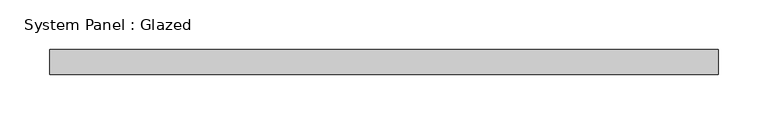
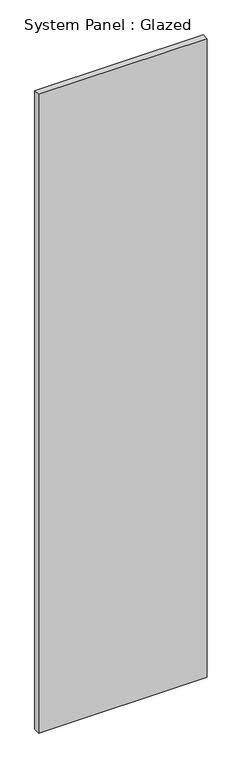
"""IFC4 building model written with IfcOpenShell, lengths in millimetres: plate geometry, System Panel : Glazed."""

from ifc_helpers import new_model, si_unit, origin, origin_with_axes, place, context, project, spatial, polyline, outline, extrude, source, transform, mapped, element, save


def system_panel_glazed_1c50cb1b(model_context):
    return source(origin(), model_context, "Body", "SweptSolid", [
        extrude(outline(polyline([(336.55, -44.45), (-336.55, -44.45), (-336.55, -19.05), (336.55, -19.05), (336.55, -44.45)])), origin_with_axes(), (0.0, 0.0, 1.0), 2692.4),
    ])


if __name__ == "__main__":
    model = new_model("IFC4")
    model_context = context("Model", 3, world=origin())
    ifc_project = project(units=[si_unit("LENGTHUNIT", "METRE", prefix="MILLI")], contexts=[model_context])
    site = spatial("IfcSite", under=ifc_project)
    building = spatial("IfcBuilding", under=site)
    placement = place(None, origin())
    system_panel_glazed_shape = system_panel_glazed_1c50cb1b(model_context)
    element("IfcPlate", 1, ObjectType="System Panel : Glazed", at=placement, inside=building, context=model_context, shape_type="MappedRepresentation", body=[
        mapped(system_panel_glazed_shape, transform((0.0, 0.0, 0.0), x_axis=(1.0, 0.0, 0.0), y_axis=(0.0, 1.0, 0.0), z_axis=(0.0, 0.0, 1.0))),
    ])
    save(model, "model.ifc")
